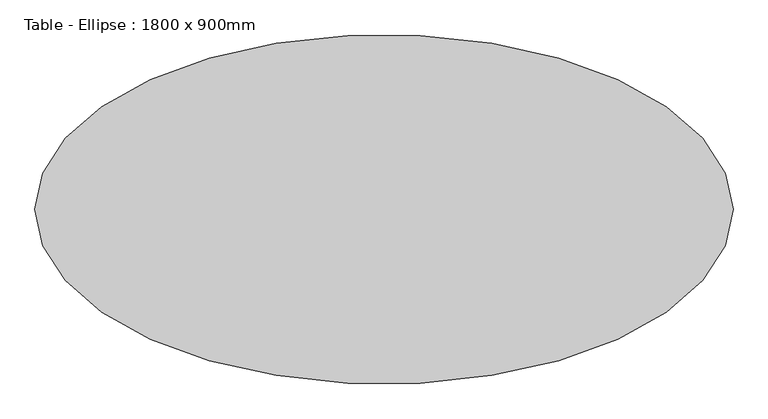
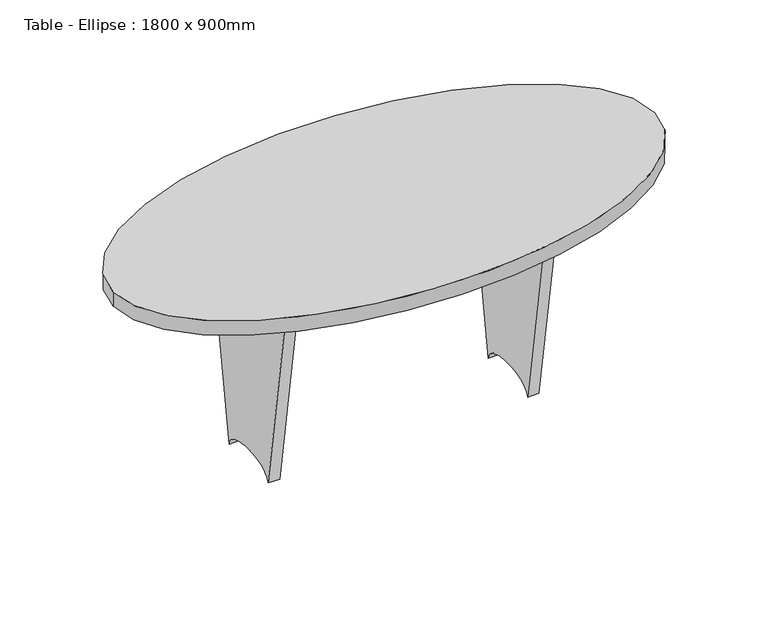
"""IFC4 building model written with IfcOpenShell, lengths in millimetres: furniture geometry, Table - Ellipse : 1800 x 900mm."""

from ifc_helpers import new_model, si_unit, point, frame, origin, place, context, project, spatial, ellipse_curve, trimmed, source, transform, mapped, element, save
from ifc_brep_helpers import plane_surface, extruded_surface, advanced_brep


def table_ellipse_1800_x_900mm_f9d7e79d(model_context):
    return source(origin(), model_context, "Body", "AdvancedBrep", [
        advanced_brep(
        [(-411.9, 19.05, 709.2), (411.9, 19.05, 709.2), (411.9, 19.05, 472.8), (-411.9, 19.05, 472.8), (-411.9, -19.05, 709.2), (-411.9, -19.05, 472.8), (411.9, -19.05, 472.8), (411.9, -19.05, 709.2)],
        [
            (0, 1),
            (1, 2),
            (2, 3, ellipse_curve(frame((0.0, 19.05, 472.8), z_axis=(0.0, -1.0, 0.0), x_axis=(1.0, 0.0, 0.0)), 411.9, 101.6)),
            (3, 0),
            (4, 5),
            (5, 6, ellipse_curve(frame((0.0, -19.05, 472.8), z_axis=(0.0, 1.0, 0.0), x_axis=(1.0, 0.0, 0.0)), 411.9, 101.6)),
            (6, 7),
            (7, 4),
            (0, 4),
            (7, 1),
            (6, 2),
            (5, 3),
        ],
        [
            plane_surface(frame((-411.9, 19.05, 709.2), z_axis=(0.0, 1.0, 0.0), x_axis=(1.0, 0.0, 0.0))),
            plane_surface(frame((-411.9, -19.05, 709.2), z_axis=(0.0, -1.0, 0.0), x_axis=(-1.0, 0.0, 0.0))),
            plane_surface(frame((-411.9, 19.05, 709.2), z_axis=(0.0, 0.0, 1.0), x_axis=(0.0, -1.0, 0.0))),
            plane_surface(frame((411.9, 19.05, 709.2), z_axis=(1.0, 0.0, 0.0), x_axis=(0.0, -1.0, 0.0))),
            extruded_surface(trimmed(ellipse_curve(frame((0.0, -57.15, 472.8), z_axis=(0.0, -1.0, 0.0), x_axis=(1.0, 0.0, 0.0)), 411.9, 101.6), [point((411.9, -57.15, 472.8))], [point((-411.9, -57.15, 472.8))], True, "CARTESIAN"), (0.0, 38.099999999999994, 0.0), 38.099999999999994),
            plane_surface(frame((-411.9, 19.05, 472.8), z_axis=(-1.0, 0.0, 0.0), x_axis=(0.0, -1.0, 0.0))),
        ],
        [
            (0, [[1, 2, 3, 4]]),
            (1, [[5, 6, 7, 8]]),
            (2, [[-1, 9, -8, 10]]),
            (3, [[-2, -10, -7, 11]]),
            (4, [[-3, -11, -6, 12]]),
            (5, [[-4, -12, -5, -9]]),
        ],
    ),
        advanced_brep(
        [(450.0, 225.0, 709.2), (450.0, -225.0, 709.2), (450.0, -112.5, 0.0), (450.0, 112.5, 0.0), (411.9, 225.0, 709.2), (411.9, 112.5, 0.0), (411.9, -112.5, 0.0), (411.9, -225.0, 709.2)],
        [
            (0, 1),
            (1, 2),
            (2, 3, ellipse_curve(frame((450.0, 0.0, 0.0), z_axis=(-1.0, 0.0, 0.0), x_axis=(0.0, 1.0, 0.0)), 112.5, 50.8)),
            (3, 0),
            (4, 5),
            (5, 6, ellipse_curve(frame((411.9, 0.0, 0.0), z_axis=(1.0, 0.0, 0.0), x_axis=(0.0, 1.0, 0.0)), 112.5, 50.8)),
            (6, 7),
            (7, 4),
            (0, 4),
            (7, 1),
            (6, 2),
            (5, 3),
        ],
        [
            plane_surface(frame((450.0, -225.0, 709.2), z_axis=(1.0, 0.0, 0.0), x_axis=(0.0, -1.0, 0.0))),
            plane_surface(frame((411.9, -225.0, 709.2), z_axis=(-1.0, 0.0, 0.0), x_axis=(0.0, 1.0, 0.0))),
            plane_surface(frame((450.0, 225.0, 709.2), z_axis=(0.0, 0.0, 1.0), x_axis=(-1.0, 0.0, 0.0))),
            plane_surface(frame((450.0, -225.0, 709.2), z_axis=(0.0, -0.987650925075964, -0.1566705147645617), x_axis=(-1.0, 0.0, 0.0))),
            extruded_surface(trimmed(ellipse_curve(frame((373.8, 0.0, 0.0), z_axis=(-1.0, 0.0, 0.0), x_axis=(0.0, 1.0, 0.0)), 112.5, 50.8), [point((373.8, -112.5, 0.0))], [point((373.8, 112.5, 0.0))], True, "CARTESIAN"), (38.099999999999966, 0.0, 0.0), 38.099999999999966),
            plane_surface(frame((450.0, 112.5, 0.0), z_axis=(0.0, 0.9876509250759647, -0.15667051476455654), x_axis=(-1.0, 0.0, 0.0))),
        ],
        [
            (0, [[1, 2, 3, 4]]),
            (1, [[5, 6, 7, 8]]),
            (2, [[-1, 9, -8, 10]]),
            (3, [[-2, -10, -7, 11]]),
            (4, [[-3, -11, -6, 12]]),
            (5, [[-4, -12, -5, -9]]),
        ],
    ),
        advanced_brep(
        [(-411.9, 225.0, 709.2), (-411.9, -225.0, 709.2), (-411.9, -112.5, 0.0), (-411.9, 112.5, 0.0), (-450.0, 225.0, 709.2), (-450.0, 112.5, 0.0), (-450.0, -112.5, 0.0), (-450.0, -225.0, 709.2)],
        [
            (0, 1),
            (1, 2),
            (2, 3, ellipse_curve(frame((-411.9, 0.0, 0.0), z_axis=(-1.0, 0.0, 0.0), x_axis=(0.0, 1.0, 0.0)), 112.5, 50.8)),
            (3, 0),
            (4, 5),
            (5, 6, ellipse_curve(frame((-450.0, 0.0, 0.0), z_axis=(1.0, 0.0, 0.0), x_axis=(0.0, 1.0, 0.0)), 112.5, 50.8)),
            (6, 7),
            (7, 4),
            (0, 4),
            (7, 1),
            (6, 2),
            (5, 3),
        ],
        [
            plane_surface(frame((-411.9, -225.0, 709.2), z_axis=(1.0, 0.0, 0.0), x_axis=(0.0, -1.0, 0.0))),
            plane_surface(frame((-450.0, -225.0, 709.2), z_axis=(-1.0, 0.0, 0.0), x_axis=(0.0, 1.0, 0.0))),
            plane_surface(frame((-411.9, 225.0, 709.2), z_axis=(0.0, 0.0, 1.0), x_axis=(-1.0, 0.0, 0.0))),
            plane_surface(frame((-411.9, -225.0, 709.2), z_axis=(0.0, -0.9876509250759556, -0.15667051476461408), x_axis=(-1.0, 0.0, 0.0))),
            extruded_surface(trimmed(ellipse_curve(frame((-488.1, 0.0, 0.0), z_axis=(-1.0, 0.0, 0.0), x_axis=(0.0, 1.0, 0.0)), 112.5, 50.8), [point((-488.1, -112.5, 0.0))], [point((-488.1, 112.5, 0.0))], True, "CARTESIAN"), (38.10000000000002, 0.0, 0.0), 38.10000000000002),
            plane_surface(frame((-411.9, 112.5, 0.0), z_axis=(0.0, 0.9876509250759571, -0.15667051476460497), x_axis=(-1.0, 0.0, 0.0))),
        ],
        [
            (0, [[1, 2, 3, 4]]),
            (1, [[5, 6, 7, 8]]),
            (2, [[-1, 9, -8, 10]]),
            (3, [[-2, -10, -7, 11]]),
            (4, [[-3, -11, -6, 12]]),
            (5, [[-4, -12, -5, -9]]),
        ],
    ),
        advanced_brep(
        [(-900.0, 0.0, 760.0), (900.0, 0.0, 760.0), (-900.0, 0.0, 709.2), (900.0, 0.0, 709.2)],
        [
            (0, 1, ellipse_curve(frame((0.0, 0.0, 760.0), z_axis=(0.0, 0.0, 1.0), x_axis=(1.0, 0.0, 0.0)), 900.0, 450.0)),
            (1, 0, ellipse_curve(frame((0.0, 0.0, 760.0), z_axis=(0.0, 0.0, 1.0), x_axis=(1.0, 0.0, 0.0)), 900.0, 450.0)),
            (2, 3, ellipse_curve(frame((0.0, 0.0, 709.2), z_axis=(0.0, 0.0, -1.0), x_axis=(1.0, 0.0, 0.0)), 900.0, 450.0)),
            (3, 2, ellipse_curve(frame((0.0, 0.0, 709.2), z_axis=(0.0, 0.0, -1.0), x_axis=(1.0, 0.0, 0.0)), 900.0, 450.0)),
            (0, 2),
            (3, 1),
        ],
        [
            plane_surface(frame((900.0, 0.0, 760.0), z_axis=(0.0, 0.0, 1.0), x_axis=(0.0, 1.0, 0.0))),
            plane_surface(frame((900.0, 0.0, 709.2), z_axis=(0.0, 0.0, -1.0), x_axis=(0.0, -1.0, 0.0))),
            extruded_surface(trimmed(ellipse_curve(frame((0.0, 0.0, 658.4), z_axis=(0.0, 0.0, 1.0), x_axis=(1.0, 0.0, 0.0)), 900.0, 450.0), [point((-900.0, 0.0, 658.4))], [point((900.0, 0.0, 658.4))], True, "CARTESIAN"), (0.0, 0.0, 50.80000000000007), 50.80000000000007),
            extruded_surface(trimmed(ellipse_curve(frame((0.0, 0.0, 658.4), z_axis=(0.0, 0.0, 1.0), x_axis=(1.0, 0.0, 0.0)), 900.0, 450.0), [point((900.0, 0.0, 658.4))], [point((-900.0, 0.0, 658.4))], True, "CARTESIAN"), (0.0, 0.0, 50.80000000000007), 50.80000000000007),
        ],
        [
            (0, [[1, 2]]),
            (1, [[3, 4]]),
            (2, [[-1, 5, -4, 6]]),
            (3, [[-2, -6, -3, -5]]),
        ],
    ),
    ])


if __name__ == "__main__":
    model = new_model("IFC4")
    model_context = context("Model", 3, world=origin())
    ifc_project = project(units=[si_unit("LENGTHUNIT", "METRE", prefix="MILLI")], contexts=[model_context])
    site = spatial("IfcSite", under=ifc_project)
    building = spatial("IfcBuilding", under=site)
    placement = place(None, origin())
    table_ellipse_1800_x_900mm_shape = table_ellipse_1800_x_900mm_f9d7e79d(model_context)
    element("IfcFurniture", 1, ObjectType="Table - Ellipse : 1800 x 900mm", at=placement, inside=building, context=model_context, shape_type="MappedRepresentation", body=[
        mapped(table_ellipse_1800_x_900mm_shape, transform((0.0, 0.0, 0.0), x_axis=(1.0, 0.0, 0.0), y_axis=(0.0, 1.0, 0.0), z_axis=(0.0, 0.0, 1.0))),
    ])
    save(model, "model.ifc")
